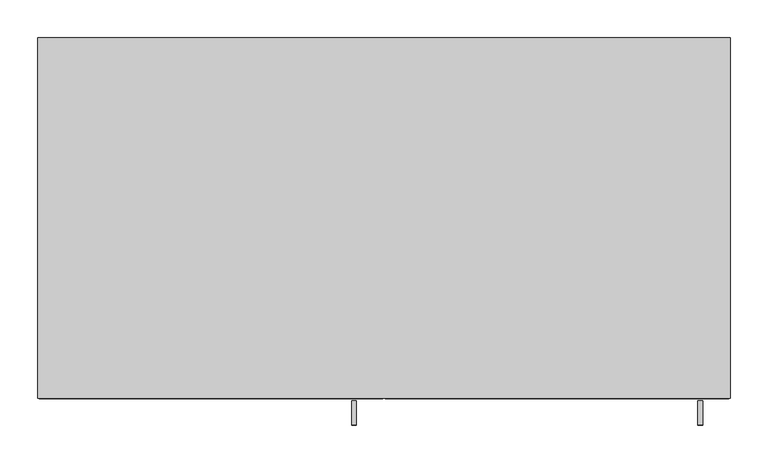
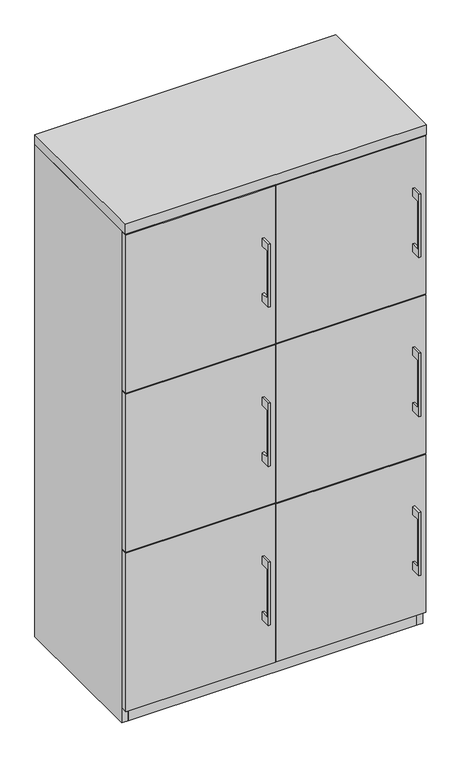
"""IFC4 building model written with IfcOpenShell, lengths in millimetres: furniture geometry."""

from ifc_helpers import new_model, si_unit, frame, origin, origin_with_axes, place, context, project, spatial, polyline, outline, extrude, source, transform, mapped, element, save


def furniture_88628294(model_context):
    return source(origin(), model_context, "Body", "SweptSolid", [
        extrude(outline(polyline([(-479.425, 889.0), (-504.8249758, 889.0), (-504.8249758, 736.6), (-479.425, 736.6), (-479.425, 711.2), (-511.1749879, 711.2), (-511.1749879, 914.4), (-479.425, 914.4), (-479.425, 889.0)])), frame((414.3375121, 0.0, 0.0), z_axis=(1.0, 0.0, 0.0), x_axis=(0.0, 1.0, 0.0)), (0.0, 0.0, 1.0), 6.3499758),
        extrude(outline(polyline([(455.6125, -476.25), (1.5875, -476.25), (1.5875, -457.2), (455.6125, -457.2), (455.6125, -476.25)])), frame((0.0, 0.0, 558.8), z_axis=(0.0, 0.0, 1.0), x_axis=(1.0, 0.0, 0.0)), (0.0, 0.0, 1.0), 508.0),
        extrude(outline(polyline([(-479.425, 889.0), (-504.8249758, 889.0), (-504.8249758, 736.6), (-479.425, 736.6), (-479.425, 711.2), (-511.1749879, 711.2), (-511.1749879, 914.4), (-479.425, 914.4), (-479.425, 889.0)])), frame((-42.8624879, 0.0, 0.0), z_axis=(1.0, 0.0, 0.0), x_axis=(0.0, 1.0, 0.0)), (0.0, 0.0, 1.0), 6.3499758),
        extrude(outline(polyline([(-1.5875, -476.25), (-455.6125, -476.25), (-455.6125, -457.2), (-1.5875, -457.2), (-1.5875, -476.25)])), frame((0.0, 0.0, 558.8), z_axis=(0.0, 0.0, 1.0), x_axis=(1.0, 0.0, 0.0)), (0.0, 0.0, 1.0), 508.0),
        extrude(outline(polyline([(-479.425, 1400.175), (-504.8249758, 1400.175), (-504.8249758, 1247.775), (-479.425, 1247.775), (-479.425, 1222.375), (-511.1749879, 1222.375), (-511.1749879, 1425.575), (-479.425, 1425.575), (-479.425, 1400.175)])), frame((414.3375121, 0.0, 0.0), z_axis=(1.0, 0.0, 0.0), x_axis=(0.0, 1.0, 0.0)), (0.0, 0.0, 1.0), 6.3499758),
        extrude(outline(polyline([(455.6125, -476.25), (1.5875, -476.25), (1.5875, -457.2), (455.6125, -457.2), (455.6125, -476.25)])), frame((0.0, 0.0, 1069.975), z_axis=(0.0, 0.0, 1.0), x_axis=(1.0, 0.0, 0.0)), (0.0, 0.0, 1.0), 508.0),
        extrude(outline(polyline([(-479.425, 1400.175), (-504.8249758, 1400.175), (-504.8249758, 1247.775), (-479.425, 1247.775), (-479.425, 1222.375), (-511.1749879, 1222.375), (-511.1749879, 1425.575), (-479.425, 1425.575), (-479.425, 1400.175)])), frame((-42.8624879, 0.0, 0.0), z_axis=(1.0, 0.0, 0.0), x_axis=(0.0, 1.0, 0.0)), (0.0, 0.0, 1.0), 6.3499758),
        extrude(outline(polyline([(-1.5875, -476.25), (-455.6125, -476.25), (-455.6125, -457.2), (-1.5875, -457.2), (-1.5875, -476.25)])), frame((0.0, 0.0, 1069.975), z_axis=(0.0, 0.0, 1.0), x_axis=(1.0, 0.0, 0.0)), (0.0, 0.0, 1.0), 508.0),
        extrude(outline(polyline([(-479.425, 377.825), (-504.8249758, 377.825), (-504.8249758, 225.425), (-479.425, 225.425), (-479.425, 200.025), (-511.1749879, 200.025), (-511.1749879, 403.225), (-479.425, 403.225), (-479.425, 377.825)])), frame((414.3375121, 0.0, 0.0), z_axis=(1.0, 0.0, 0.0), x_axis=(0.0, 1.0, 0.0)), (0.0, 0.0, 1.0), 6.3499758),
        extrude(outline(polyline([(455.6125, -476.25), (1.5875, -476.25), (1.5875, -457.2), (455.6125, -457.2), (455.6125, -476.25)])), frame((0.0, 0.0, 47.625), z_axis=(0.0, 0.0, 1.0), x_axis=(1.0, 0.0, 0.0)), (0.0, 0.0, 1.0), 508.0),
        extrude(outline(polyline([(-479.425, 377.825), (-504.8249758, 377.825), (-504.8249758, 225.425), (-479.425, 225.425), (-479.425, 200.025), (-511.1749879, 200.025), (-511.1749879, 403.225), (-479.425, 403.225), (-479.425, 377.825)])), frame((-42.8624879, 0.0, 0.0), z_axis=(1.0, 0.0, 0.0), x_axis=(0.0, 1.0, 0.0)), (0.0, 0.0, 1.0), 6.3499758),
        extrude(outline(polyline([(-1.5875, -476.25), (-455.6125, -476.25), (-455.6125, -457.2), (-1.5875, -457.2), (-1.5875, -476.25)])), frame((0.0, 0.0, 47.625), z_axis=(0.0, 0.0, 1.0), x_axis=(1.0, 0.0, 0.0)), (0.0, 0.0, 1.0), 508.0),
        extrude(outline(polyline([(9.525, -19.05), (9.525, -457.2), (-9.525, -457.2), (-9.525, -19.05), (9.525, -19.05)])), frame((0.0, 0.0, 47.625), z_axis=(0.0, 0.0, 1.0), x_axis=(1.0, 0.0, 0.0)), (0.0, 0.0, 1.0), 1533.525),
        extrude(outline(polyline([(438.15, -19.05), (438.15, -457.2), (-438.15, -457.2), (-438.15, -19.05), (438.15, -19.05)])), origin_with_axes(), (0.0, 0.0, 1.0), 47.625),
        extrude(outline(polyline([(457.2, 0.0), (457.2, -476.25), (-457.2, -476.25), (-457.2, 0.0), (457.2, 0.0)])), frame((0.0, 0.0, 1581.15), z_axis=(0.0, 0.0, 1.0), x_axis=(1.0, 0.0, 0.0)), (0.0, 0.0, 1.0), 31.75),
        extrude(outline(polyline([(457.2, 0.0), (457.2, -457.2), (438.15, -457.2), (438.15, -19.05), (-438.15, -19.05), (-438.15, -457.2), (-457.2, -457.2), (-457.2, 0.0), (457.2, 0.0)])), origin_with_axes(), (0.0, 0.0, 1.0), 1581.15),
    ])


if __name__ == "__main__":
    model = new_model("IFC4")
    model_context = context("Model", 3, world=origin())
    ifc_project = project(units=[si_unit("LENGTHUNIT", "METRE", prefix="MILLI")], contexts=[model_context])
    site = spatial("IfcSite", under=ifc_project)
    building = spatial("IfcBuilding", under=site)
    placement = place(None, origin())
    furniture_shape = furniture_88628294(model_context)
    element("IfcFurniture", 1, at=placement, inside=building, context=model_context, shape_type="MappedRepresentation", body=[
        mapped(furniture_shape, transform((0.0, 0.0, 0.0), x_axis=(1.0, 0.0, 0.0), y_axis=(0.0, 1.0, 0.0), z_axis=(0.0, 0.0, 1.0))),
    ])
    save(model, "model.ifc")
